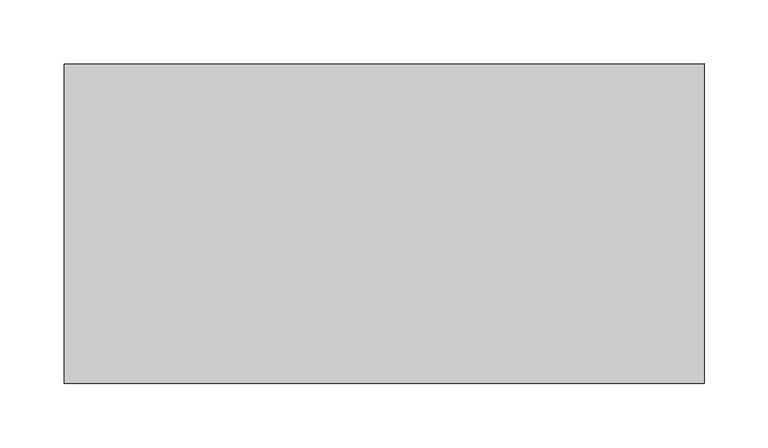
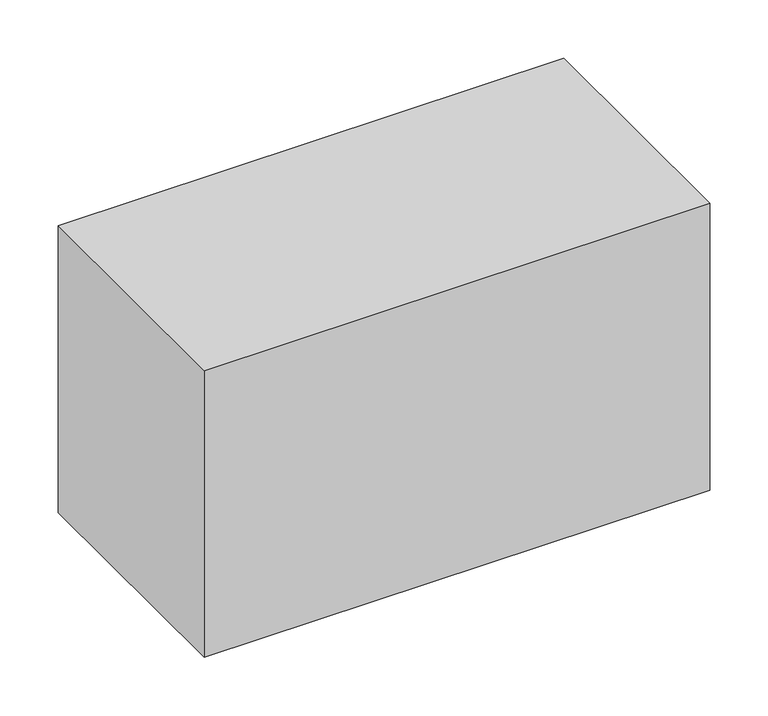
"""IFC4 building model written with IfcOpenShell, lengths in millimetres: proxy geometry."""

from ifc_helpers import new_model, si_unit, origin, origin_with_axes, place, context, project, spatial, polyline, outline, extrude, source, transform, mapped, element, save


def specialty_equipment_a8f2929b(model_context):
    return source(origin(), model_context, "Body", "SweptSolid", [
        extrude(outline(polyline([(250.0, 125.0), (250.0, -125.0), (-250.0, -125.0), (-250.0, 125.0), (250.0, 125.0)])), origin_with_axes(), (0.0, 0.0, 1.0), 300.0),
    ])


if __name__ == "__main__":
    model = new_model("IFC4")
    model_context = context("Model", 3, world=origin())
    ifc_project = project(units=[si_unit("LENGTHUNIT", "METRE", prefix="MILLI")], contexts=[model_context])
    site = spatial("IfcSite", under=ifc_project)
    building = spatial("IfcBuilding", under=site)
    placement = place(None, origin())
    specialty_equipment_shape = specialty_equipment_a8f2929b(model_context)
    element("IfcBuildingElementProxy", 1, Name="Specialty Equipment", at=placement, inside=building, context=model_context, shape_type="MappedRepresentation", body=[
        mapped(specialty_equipment_shape, transform((0.0, 0.0, 0.0), x_axis=(1.0, 0.0, 0.0), y_axis=(0.0, 1.0, 0.0), z_axis=(0.0, 0.0, 1.0))),
    ])
    save(model, "model.ifc")
